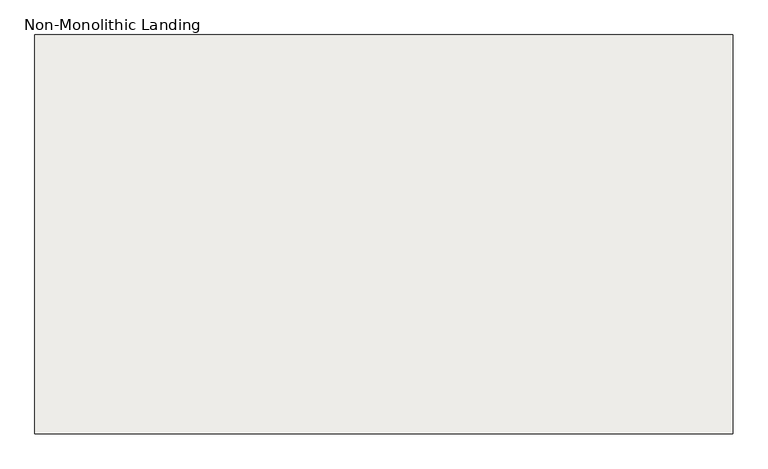
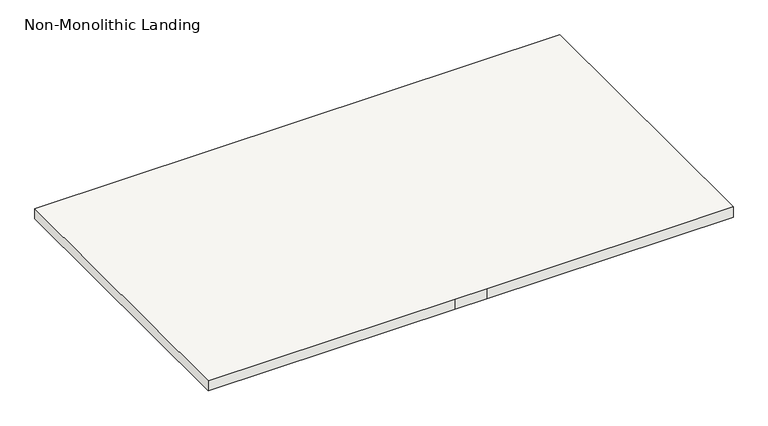
"""IFC4 building model written with IfcOpenShell, lengths in millimetres: slab geometry, Non-Monolithic Landing."""

from ifc_helpers import new_model, si_unit, frame, origin, place, context, project, spatial, polyline, outline, extrude, source, transform, mapped, element, save


def non_monolithic_landing_cd4a5223(model_context):
    return source(origin(), model_context, "Body", "SweptSolid", [
        extrude(outline(polyline([(383.6347234, -9372.365151), (383.6347234, -7972.365151), (2834.355623, -7972.365151), (2834.355623, -9372.365151), (1684.355623, -9372.365151), (1534.355623, -9372.365151), (383.6347234, -9372.365151)])), frame((0.0, 0.0, 7450.0), z_axis=(0.0, 0.0, 1.0), x_axis=(1.0, 0.0, 0.0)), (0.0, 0.0, 1.0), 50.0),
    ])


if __name__ == "__main__":
    model = new_model("IFC4")
    model_context = context("Model", 3, world=origin())
    ifc_project = project(units=[si_unit("LENGTHUNIT", "METRE", prefix="MILLI")], contexts=[model_context])
    site = spatial("IfcSite", under=ifc_project)
    building = spatial("IfcBuilding", under=site)
    placement = place(None, origin())
    non_monolithic_landing_shape = non_monolithic_landing_cd4a5223(model_context)
    element("IfcSlab", 1, ObjectType="Non-Monolithic Landing", at=placement, inside=building, context=model_context, shape_type="MappedRepresentation", body=[
        mapped(non_monolithic_landing_shape, transform((0.0, 0.0, 0.0), x_axis=(1.0, 0.0, 0.0), y_axis=(0.0, 1.0, 0.0), z_axis=(0.0, 0.0, 1.0))),
    ])
    save(model, "model.ifc")
